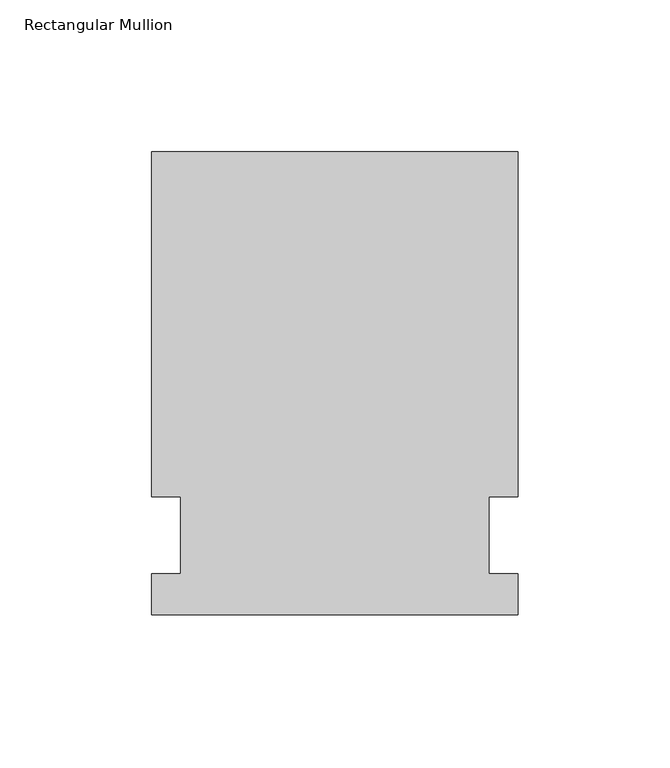
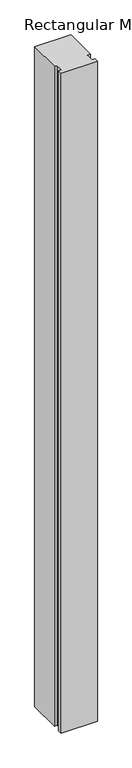
"""IFC4 building model written with IfcOpenShell, lengths in millimetres: member geometry, Rectangular Mullion."""

from ifc_helpers import new_model, si_unit, frame, origin, place, context, project, spatial, polyline, outline, extrude, source, transform, mapped, element, save


def rectangular_mullion_c66d4207(model_context):
    return source(origin(), model_context, "Body", "SweptSolid", [
        extrude(outline(polyline([(-60.325, -26.19375), (-60.325, -12.7), (-50.8, -12.7), (-50.8, 12.7), (-60.325, 12.7), (-60.325, 126.20625), (60.325, 126.20625), (60.325, 12.7), (50.8, 12.7), (50.8, -12.7), (60.325, -12.7), (60.325, -26.19375), (-60.325, -26.19375)])), frame((0.0, 0.0, -2324.1), z_axis=(0.0, 0.0, 1.0), x_axis=(1.0, 0.0, 0.0)), (0.0, 0.0, 1.0), 2324.1),
    ])


if __name__ == "__main__":
    model = new_model("IFC4")
    model_context = context("Model", 3, world=origin())
    ifc_project = project(units=[si_unit("LENGTHUNIT", "METRE", prefix="MILLI")], contexts=[model_context])
    site = spatial("IfcSite", under=ifc_project)
    building = spatial("IfcBuilding", under=site)
    placement = place(None, origin())
    rectangular_mullion_shape = rectangular_mullion_c66d4207(model_context)
    element("IfcMember", 1, ObjectType="Rectangular Mullion", at=placement, inside=building, context=model_context, shape_type="MappedRepresentation", body=[
        mapped(rectangular_mullion_shape, transform((0.0, 0.0, 0.0), x_axis=(1.0, 0.0, 0.0), y_axis=(0.0, 1.0, 0.0), z_axis=(0.0, 0.0, 1.0))),
    ])
    save(model, "model.ifc")
